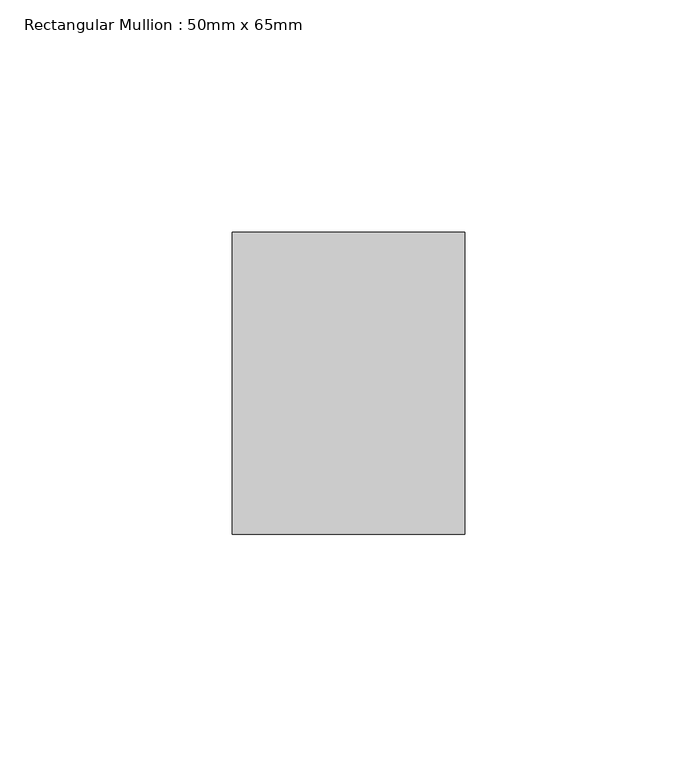
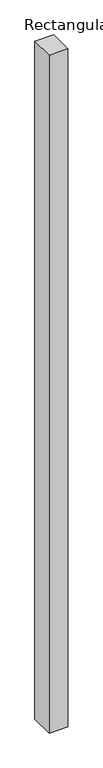
"""IFC4 building model written with IfcOpenShell, lengths in millimetres: member geometry, Rectangular Mullion : 50mm x 65mm."""

from ifc_helpers import new_model, si_unit, frame, origin, place, context, project, spatial, polyline, outline, extrude, source, transform, mapped, element, save


def rectangular_mullion_50mm_x_65mm_f3def7a8(model_context):
    return source(origin(), model_context, "Body", "SweptSolid", [
        extrude(outline(polyline([(25.0, 32.5), (25.0, -32.5), (-25.0, -32.5), (-25.0, 32.5), (25.0, 32.5)])), frame((0.0, 0.0, -1897.7009277), z_axis=(0.0, 0.0, 1.0), x_axis=(1.0, 0.0, 0.0)), (0.0, 0.0, 1.0), 1897.7009277),
    ])


if __name__ == "__main__":
    model = new_model("IFC4")
    model_context = context("Model", 3, world=origin())
    ifc_project = project(units=[si_unit("LENGTHUNIT", "METRE", prefix="MILLI")], contexts=[model_context])
    site = spatial("IfcSite", under=ifc_project)
    building = spatial("IfcBuilding", under=site)
    placement = place(None, origin())
    rectangular_mullion_50mm_x_65mm_shape = rectangular_mullion_50mm_x_65mm_f3def7a8(model_context)
    element("IfcMember", 1, ObjectType="Rectangular Mullion : 50mm x 65mm", at=placement, inside=building, context=model_context, shape_type="MappedRepresentation", body=[
        mapped(rectangular_mullion_50mm_x_65mm_shape, transform((0.0, 0.0, 0.0), x_axis=(1.0, 0.0, 0.0), y_axis=(0.0, 1.0, 0.0), z_axis=(0.0, 0.0, 1.0))),
    ])
    save(model, "model.ifc")
